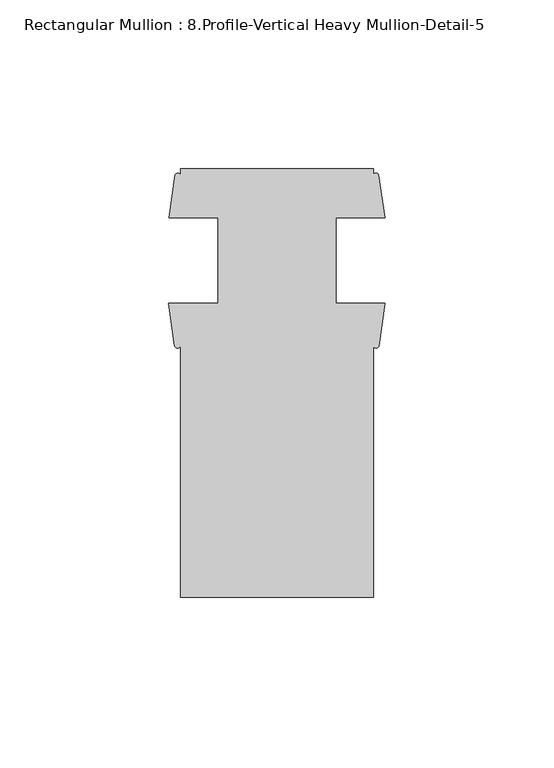
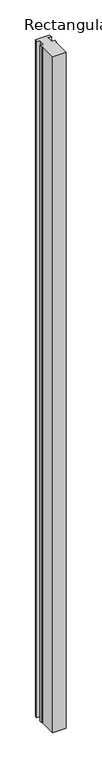
"""IFC4 building model written with IfcOpenShell, lengths in millimetres: member geometry, Rectangular Mullion : 8.Profile-Vertical Heavy Mullion-Detail-5."""

from ifc_helpers import new_model, si_unit, point, frame, frame_2d, origin, place, context, project, spatial, polyline, circle_curve, trimmed, segment, composite_curve, outline, extrude, source, transform, mapped, element, save


def rectangular_mullion_8_profile_vertical_heavy_mullion_detail_7e1c8b67(model_context):
    return source(origin(), model_context, "Body", "SweptSolid", [
        extrude(outline(composite_curve([segment(polyline([(-60.6695217, -126.4838823), (-60.6695217, -52.0874074)]), True, "CONTINUOUS"), segment(trimmed(circle_curve(frame_2d((-61.5065318, -51.7050827)), 0.9201945), [point((-60.6695217, -52.0874074))], [point((-62.3435418, -52.0874074))], False, "CARTESIAN"), True, "CONTINUOUS"), segment(polyline([(-62.3435418, -52.0874074), (-64.1890435, -39.3874074), (-49.5570217, -39.3874074), (-49.5570217, -13.9874074), (-64.0655217, -13.9874074), (-62.2655217, -1.2874074)]), True, "CONTINUOUS"), segment(trimmed(circle_curve(frame_2d((-61.4675217, -1.7026873)), 0.8995896), [point((-62.2655217, -1.2874074))], [point((-60.6695217, -1.2874074))], False, "CARTESIAN"), True, "CONTINUOUS"), segment(polyline([(-60.6695217, -1.2874074), (-60.6695217, 0.5161177), (-3.5195217, 0.5161177), (-3.5195217, -1.2874074)]), True, "CONTINUOUS"), segment(trimmed(circle_curve(frame_2d((-2.7215217, -1.7026873)), 0.8995896), [point((-3.5195217, -1.2874074))], [point((-1.9235217, -1.2874074))], False, "CARTESIAN"), True, "CONTINUOUS"), segment(polyline([(-1.9235217, -1.2874074), (-0.1235217, -13.9874074), (-14.6319629, -13.9874074), (-14.6319629, -39.3874074), (0.0, -39.3874074), (-1.8455017, -52.0874074)]), True, "CONTINUOUS"), segment(trimmed(circle_curve(frame_2d((-2.6825117, -51.7050827)), 0.9201945), [point((-1.8455017, -52.0874074))], [point((-3.5195217, -52.0874074))], False, "CARTESIAN"), True, "CONTINUOUS"), segment(polyline([(-3.5195217, -52.0874074), (-3.5195217, -126.4838823), (-60.6695217, -126.4838823)]), True, "CONTINUOUS")], self_intersect=False)), frame((0.0, 0.0, -3048.0), z_axis=(0.0, 0.0, 1.0), x_axis=(1.0, 0.0, 0.0)), (0.0, 0.0, 1.0), 3048.0),
    ])


if __name__ == "__main__":
    model = new_model("IFC4")
    model_context = context("Model", 3, world=origin())
    ifc_project = project(units=[si_unit("LENGTHUNIT", "METRE", prefix="MILLI")], contexts=[model_context])
    site = spatial("IfcSite", under=ifc_project)
    building = spatial("IfcBuilding", under=site)
    placement = place(None, origin())
    rectangular_mullion_8_profile_vertical_heavy_mullion_detail_shape = rectangular_mullion_8_profile_vertical_heavy_mullion_detail_7e1c8b67(model_context)
    element("IfcMember", 1, ObjectType="Rectangular Mullion : 8.Profile-Vertical Heavy Mullion-Detail-5", at=placement, inside=building, context=model_context, shape_type="MappedRepresentation", body=[
        mapped(rectangular_mullion_8_profile_vertical_heavy_mullion_detail_shape, transform((0.0, 0.0, 0.0), x_axis=(1.0, 0.0, 0.0), y_axis=(0.0, 1.0, 0.0), z_axis=(0.0, 0.0, 1.0))),
    ])
    save(model, "model.ifc")
